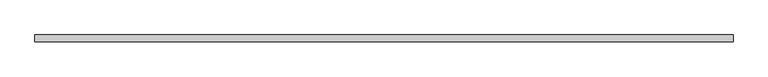
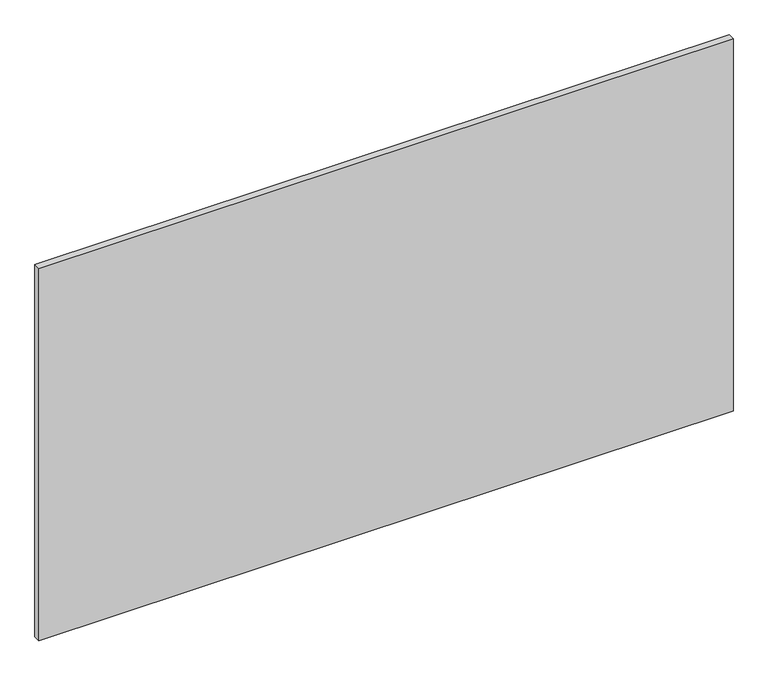
"""IFC4 building model written with IfcOpenShell, lengths in millimetres: plate geometry."""

from ifc_helpers import new_model, si_unit, origin, origin_with_axes, place, context, project, spatial, polyline, outline, extrude, source, transform, mapped, element, save


def plate_312c072b(model_context):
    return source(origin(), model_context, "Body", "SweptSolid", [
        extrude(outline(polyline([(623.75, 6.0), (623.75, -6.0), (-623.75, -6.0), (-623.75, 6.0), (623.75, 6.0)])), origin_with_axes(), (0.0, 0.0, 1.0), 707.5),
    ])


if __name__ == "__main__":
    model = new_model("IFC4")
    model_context = context("Model", 3, world=origin())
    ifc_project = project(units=[si_unit("LENGTHUNIT", "METRE", prefix="MILLI")], contexts=[model_context])
    site = spatial("IfcSite", under=ifc_project)
    building = spatial("IfcBuilding", under=site)
    placement = place(None, origin())
    plate_shape = plate_312c072b(model_context)
    element("IfcPlate", 1, at=placement, inside=building, context=model_context, shape_type="MappedRepresentation", body=[
        mapped(plate_shape, transform((0.0, 0.0, 0.0), x_axis=(1.0, 0.0, 0.0), y_axis=(0.0, 1.0, 0.0), z_axis=(0.0, 0.0, 1.0))),
    ])
    save(model, "model.ifc")
